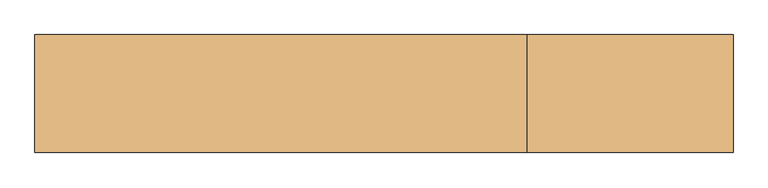
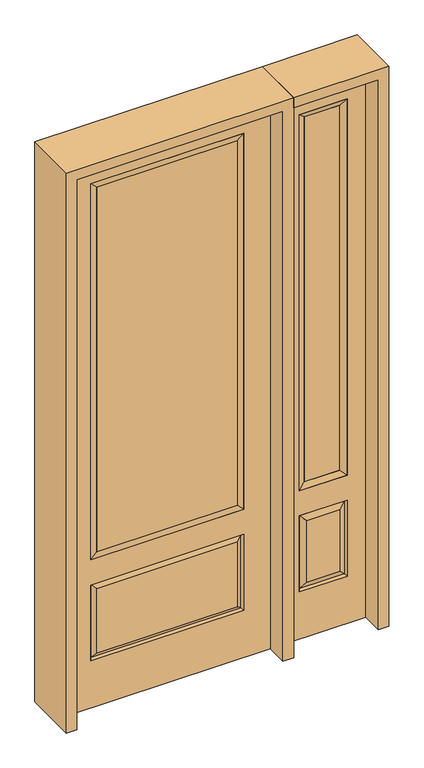
"""IFC4 building model written with IfcOpenShell, lengths in millimetres: door geometry."""

from ifc_helpers import new_model, si_unit, frame, origin, place, context, project, spatial, polyline, outline, extrude, faceted_brep, source, transform, mapped, element, save


def door_82f38d10(model_context):
    return source(origin(), model_context, "Body", "SolidModel", [
        faceted_brep([(476.25, -22.225, 0.0), (831.85, -22.225, 0.0), (831.85, -22.225, 2438.4), (476.25, -22.225, 2438.4), (754.38, -22.225, 2325.624), (754.38, -22.225, 657.098), (553.72, -22.225, 657.098), (553.72, -22.225, 2325.624), (754.38, -22.225, 209.55), (553.72, -22.225, 209.55), (553.72, -22.225, 546.1), (754.38, -22.225, 546.1), (585.4351001, -22.225, 241.2651001), (722.6648999, -22.225, 241.2651001), (722.6648999, -22.225, 514.3848999), (585.4351001, -22.225, 514.3848999), (476.25, 22.225, 0.0), (476.25, 22.225, 2438.4), (831.85, 22.225, 2438.4), (831.85, 22.225, 0.0), (754.38, 22.225, 2325.624), (553.72, 22.225, 2325.624), (553.72, 22.225, 657.098), (754.38, 22.225, 657.098), (553.72, 22.225, 209.55), (754.38, 22.225, 209.55), (754.38, 22.225, 546.1), (553.72, 22.225, 546.1), (722.6648999, 22.225, 241.2651001), (585.4351001, 22.225, 241.2651001), (585.4351001, 22.225, 514.3848999), (722.6648999, 22.225, 514.3848999), (747.2711499, 12.7912373, 216.6588501), (560.8288501, 12.7912373, 216.6588501), (560.8288501, 12.7912373, 538.9911499), (747.2711499, 12.7912373, 538.9911499), (560.8288501, -12.7912373, 216.6588501), (747.2711499, -12.7912373, 216.6588501), (560.8288501, -12.7912373, 538.9911499), (747.2711499, -12.7912373, 538.9911499)], [[[0, 1, 2, 3], [4, 5, 6, 7], [8, 9, 10, 11]], [[12, 13, 14, 15]], [[16, 17, 18, 19], [20, 21, 22, 23], [24, 25, 26, 27]], [[28, 29, 30, 31]], [[1, 0, 16, 19]], [[2, 1, 19, 18]], [[3, 2, 18, 17]], [[0, 3, 17, 16]], [[5, 4, 20, 23]], [[6, 5, 23, 22]], [[7, 6, 22, 21]], [[4, 7, 21, 20]], [[32, 33, 29, 28]], [[33, 32, 25, 24]], [[29, 33, 34, 30]], [[33, 24, 27, 34]], [[30, 34, 35, 31]], [[34, 27, 26, 35]], [[32, 28, 31, 35]], [[25, 32, 35, 26]], [[12, 36, 37, 13]], [[37, 36, 9, 8]], [[36, 12, 15, 38]], [[9, 36, 38, 10]], [[38, 15, 14, 39]], [[10, 38, 39, 11]], [[13, 37, 39, 14]], [[37, 8, 11, 39]]]),
        faceted_brep([(553.72, 22.225, 2325.624), (553.72, -22.225, 2325.624), (754.38, -22.225, 2325.624), (754.38, 22.225, 2325.624), (579.12, 12.7, 2300.224), (728.98, 12.7, 2300.224), (579.12, -12.7, 2300.224), (728.98, -12.7, 2300.224), (754.38, -22.225, 657.098), (754.38, 22.225, 657.098), (728.98, 12.7, 682.498), (728.98, -12.7, 682.498), (553.72, -22.225, 657.098), (553.72, 22.225, 657.098), (579.12, 12.7, 682.498), (579.12, -12.7, 682.498)], [[[0, 1, 2, 3]], [[4, 0, 3, 5]], [[6, 4, 5, 7]], [[1, 6, 7, 2]], [[3, 2, 8, 9]], [[5, 3, 9, 10]], [[7, 5, 10, 11]], [[2, 7, 11, 8]], [[9, 8, 12, 13]], [[10, 9, 13, 14]], [[11, 10, 14, 15]], [[8, 11, 15, 12]], [[13, 12, 1, 0]], [[14, 13, 0, 4]], [[15, 14, 4, 6]], [[12, 15, 6, 1]]]),
        extrude(outline(polyline([(728.98, -12.7), (579.12, -12.7), (579.12, 12.7), (728.98, 12.7), (728.98, -12.7)])), frame((0.0, 0.0, 682.498), z_axis=(0.0, 0.0, 1.0), x_axis=(1.0, 0.0, 0.0)), (0.0, 0.0, 1.0), 1617.726),
        extrude(outline(polyline([(295.275, -20.32), (-295.275, -20.32), (-295.275, 5.08), (295.275, 5.08), (295.275, -20.32)])), frame((0.0, 0.0, 682.498), z_axis=(0.0, 0.0, 1.0), x_axis=(1.0, 0.0, 0.0)), (0.0, 0.0, 1.0), 1616.202),
        faceted_brep([(-313.5661499, -12.7912373, 216.6588501), (313.5661499, -12.7912373, 216.6588501), (296.06875, -22.225, 234.15625), (-296.06875, -22.225, 234.15625), (-320.675, -22.225, 209.55), (320.675, -22.225, 209.55), (-313.5661499, -12.7912373, 538.9911499), (-320.675, -22.225, 546.1), (296.06875, -22.225, 521.49375), (-296.06875, -22.225, 521.49375), (431.8, -22.225, 2438.4), (-431.8, -22.225, 2438.4), (-431.8, -22.225, 0.0), (431.8, -22.225, 0.0), (320.675, -22.225, 546.1), (320.675, -22.225, 2324.1), (320.675, -22.225, 657.098), (-320.675, -22.225, 657.098), (-320.675, -22.225, 2324.1), (313.5661499, -12.7912373, 538.9911499), (-431.8, 22.225, 2438.4), (-431.8, 22.225, 0.0), (431.8, 22.225, 0.0), (431.8, 22.225, 2438.4), (320.675, 22.225, 2324.1), (320.675, 22.225, 657.098), (-320.675, 22.225, 657.098), (-320.675, 22.225, 2324.1), (-320.675, 22.225, 209.55), (320.675, 22.225, 209.55), (320.675, 22.225, 546.1), (-320.675, 22.225, 546.1), (296.06875, 22.225, 234.15625), (-296.06875, 22.225, 234.15625), (-296.06875, 22.225, 521.49375), (296.06875, 22.225, 521.49375), (-313.5661499, 12.7912373, 216.6588501), (313.5661499, 12.7912373, 216.6588501), (313.5661499, 12.7912373, 538.9911499), (-313.5661499, 12.7912373, 538.9911499)], [[[0, 1, 2, 3]], [[1, 0, 4, 5]], [[4, 0, 6, 7]], [[3, 2, 8, 9]], [[10, 11, 12, 13], [5, 4, 7, 14], [15, 16, 17, 18]], [[1, 5, 14, 19]], [[2, 1, 19, 8]], [[0, 3, 9, 6]], [[7, 6, 19, 14]], [[6, 9, 8, 19]], [[12, 11, 20, 21]], [[13, 12, 21, 22]], [[10, 13, 22, 23]], [[16, 15, 24, 25]], [[17, 16, 25, 26]], [[18, 17, 26, 27]], [[23, 22, 21, 20], [28, 29, 30, 31], [24, 27, 26, 25]], [[32, 33, 34, 35]], [[28, 36, 37, 29]], [[29, 37, 38, 30]], [[39, 31, 30, 38]], [[36, 28, 31, 39]], [[37, 36, 33, 32]], [[33, 36, 39, 34]], [[34, 39, 38, 35]], [[37, 32, 35, 38]], [[11, 10, 23, 20]], [[15, 18, 27, 24]]]),
        faceted_brep([(-320.675, -22.225, 2324.1), (-320.675, 22.225, 2324.1), (-320.675, 22.225, 657.098), (-320.675, -22.225, 657.098), (320.675, 22.225, 657.098), (320.675, -22.225, 657.098), (-295.275, 5.08, 682.498), (295.275, 5.08, 682.498), (320.675, 22.225, 2324.1), (320.675, -22.225, 2324.1), (-295.275, -20.32, 682.498), (295.275, -20.32, 682.498), (-295.275, -20.32, 2298.7), (295.275, -20.32, 2298.7), (-295.275, 5.08, 2298.7), (295.275, 5.08, 2298.7)], [[[0, 1, 2, 3]], [[3, 2, 4, 5]], [[2, 6, 7, 4]], [[5, 4, 8, 9]], [[10, 3, 5, 11]], [[12, 0, 3, 10]], [[11, 5, 9, 13]], [[6, 10, 11, 7]], [[14, 12, 10, 6]], [[7, 11, 13, 15]], [[1, 14, 6, 2]], [[4, 7, 15, 8]], [[9, 8, 1, 0]], [[13, 9, 0, 12]], [[15, 13, 12, 14]], [[8, 15, 14, 1]]]),
        extrude(outline(polyline([(2482.85, -476.25), (0.0, -476.25), (0.0, -431.8), (2438.4, -431.8), (2438.4, 431.8), (0.0, 431.8), (0.0, 476.25), (2482.85, 476.25), (2482.85, -476.25)])), frame((0.0, -114.3, 0.0), z_axis=(0.0, 1.0, 0.0), x_axis=(0.0, 0.0, 1.0)), (0.0, 0.0, 1.0), 228.6),
        extrude(outline(polyline([(0.0, 831.85), (0.0, 876.3), (2482.85, 876.3), (2482.85, 476.25), (2438.4, 476.25), (2438.4, 831.85), (0.0, 831.85)])), frame((0.0, -114.3, 0.0), z_axis=(0.0, 1.0, 0.0), x_axis=(0.0, 0.0, 1.0)), (0.0, 0.0, 1.0), 228.6),
    ])


if __name__ == "__main__":
    model = new_model("IFC4")
    model_context = context("Model", 3, world=origin())
    ifc_project = project(units=[si_unit("LENGTHUNIT", "METRE", prefix="MILLI")], contexts=[model_context])
    site = spatial("IfcSite", under=ifc_project)
    building = spatial("IfcBuilding", under=site)
    placement = place(None, origin())
    door_shape = door_82f38d10(model_context)
    element("IfcDoor", 1, at=placement, inside=building, context=model_context, shape_type="MappedRepresentation", body=[
        mapped(door_shape, transform((0.0, 0.0, 0.0), x_axis=(1.0, 0.0, 0.0), y_axis=(0.0, 1.0, 0.0), z_axis=(0.0, 0.0, 1.0))),
    ])
    save(model, "model.ifc")
